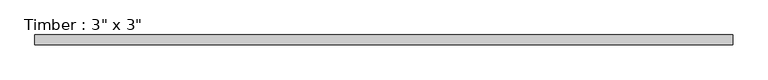
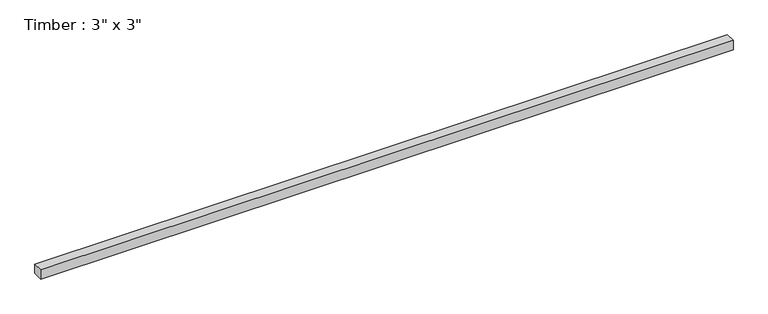
"""IFC4 building model written with IfcOpenShell, lengths in millimetres: beam geometry."""

from ifc_helpers import new_model, si_unit, frame, origin, place, context, project, spatial, polyline, outline, extrude, source, transform, mapped, element, save


def beam_eb7eee87(model_context):
    return source(origin(), model_context, "Body", "SweptSolid", [
        extrude(outline(polyline([(2714.625, 38.1), (2714.625, -38.1), (-2714.625, -38.1), (-2714.625, 38.1), (2714.625, 38.1)])), frame((0.0, 0.0, -38.1), z_axis=(0.0, 0.0, 1.0), x_axis=(1.0, 0.0, 0.0)), (0.0, 0.0, 1.0), 76.2),
    ])


if __name__ == "__main__":
    model = new_model("IFC4")
    model_context = context("Model", 3, world=origin())
    ifc_project = project(units=[si_unit("LENGTHUNIT", "METRE", prefix="MILLI")], contexts=[model_context])
    site = spatial("IfcSite", under=ifc_project)
    building = spatial("IfcBuilding", under=site)
    placement = place(None, origin())
    beam_shape = beam_eb7eee87(model_context)
    element("IfcBeam", 1, ObjectType="Timber : 3\" x 3\"", at=placement, inside=building, context=model_context, shape_type="MappedRepresentation", body=[
        mapped(beam_shape, transform((0.0, 0.0, 0.0), x_axis=(1.0, 0.0, 0.0), y_axis=(0.0, 1.0, 0.0), z_axis=(0.0, 0.0, 1.0))),
    ])
    save(model, "model.ifc")
